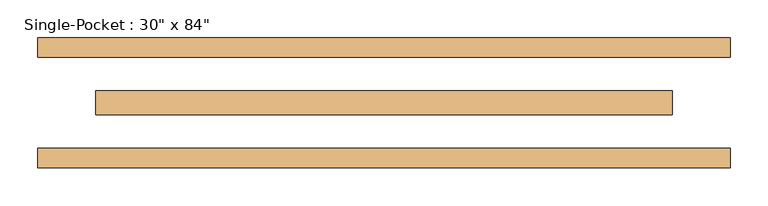
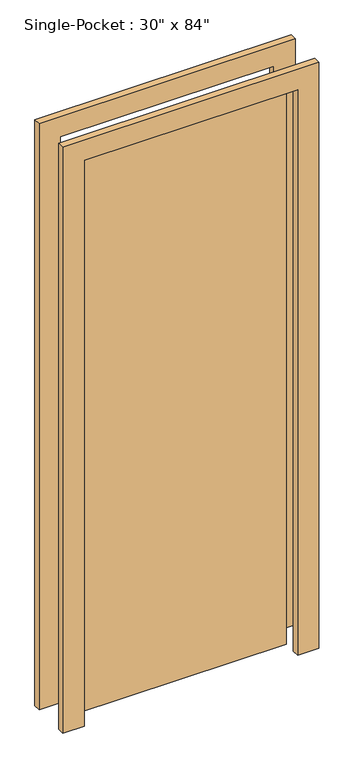
"""IFC4 building model written with IfcOpenShell, lengths in millimetres: door geometry."""

from ifc_helpers import new_model, si_unit, frame, origin, origin_with_axes, place, context, project, spatial, polyline, outline, extrude, source, transform, mapped, element, save


def door_2416f2cf(model_context):
    return source(origin(), model_context, "Body", "SweptSolid", [
        extrude(outline(polyline([(-381.0, 15.875), (381.0, 15.875), (381.0, -15.875), (-381.0, -15.875), (-381.0, 15.875)])), origin_with_axes(), (0.0, 0.0, 1.0), 2133.6),
        extrude(outline(polyline([(2133.6, -381.0), (2133.6, 381.0), (0.0, 381.0), (0.0, 457.2), (2209.8, 457.2), (2209.8, -457.2), (0.0, -457.2), (0.0, -381.0), (2133.6, -381.0)])), frame((0.0, -85.725, 0.0), z_axis=(0.0, 1.0, 0.0), x_axis=(0.0, 0.0, 1.0)), (0.0, 0.0, 1.0), 25.4),
        extrude(outline(polyline([(2133.6, -381.0), (2133.6, 381.0), (0.0, 381.0), (0.0, 457.2), (2209.8, 457.2), (2209.8, -457.2), (0.0, -457.2), (0.0, -381.0), (2133.6, -381.0)])), frame((0.0, 60.325, 0.0), z_axis=(0.0, 1.0, 0.0), x_axis=(0.0, 0.0, 1.0)), (0.0, 0.0, 1.0), 25.4),
    ])


if __name__ == "__main__":
    model = new_model("IFC4")
    model_context = context("Model", 3, world=origin())
    ifc_project = project(units=[si_unit("LENGTHUNIT", "METRE", prefix="MILLI")], contexts=[model_context])
    site = spatial("IfcSite", under=ifc_project)
    building = spatial("IfcBuilding", under=site)
    placement = place(None, origin())
    door_shape = door_2416f2cf(model_context)
    element("IfcDoor", 1, ObjectType="Single-Pocket : 30\" x 84\"", at=placement, inside=building, context=model_context, shape_type="MappedRepresentation", body=[
        mapped(door_shape, transform((0.0, 0.0, 0.0), x_axis=(1.0, 0.0, 0.0), y_axis=(0.0, 1.0, 0.0), z_axis=(0.0, 0.0, 1.0))),
    ])
    save(model, "model.ifc")
